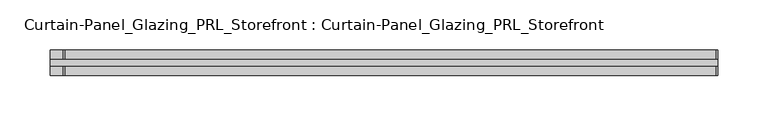
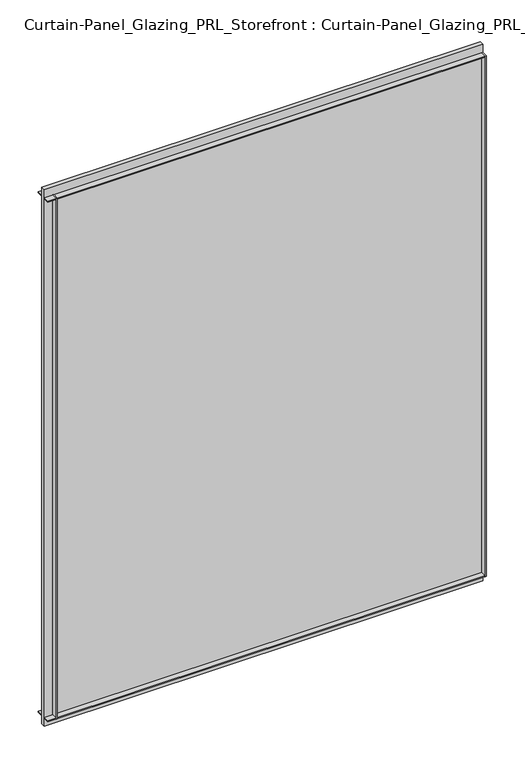
"""IFC4 building model written with IfcOpenShell, lengths in millimetres: plate geometry, Curtain-Panel_Glazing_PRL_Storefront : Curtain-Panel_Glazing_PRL_Storefront."""

from ifc_helpers import new_model, si_unit, frame, origin, origin_with_axes, place, context, project, spatial, polyline, outline, extrude, source, transform, mapped, element, save


def curtain_panel_glazing_prl_storefront_curtain_panel_glazing_6a74235d(model_context):
    return source(origin(), model_context, "Body", "SweptSolid", [
        extrude(outline(polyline([(269.875, 12.7), (269.875, 3.175), (268.2875, 3.175), (268.2875, 12.7), (269.875, 12.7)])), frame((0.0, 0.0, 12.7), z_axis=(0.0, 0.0, 1.0), x_axis=(1.0, 0.0, 0.0)), (0.0, 0.0, 1.0), 831.85),
        extrude(outline(polyline([(269.875, -12.7), (268.2875, -12.7), (268.2875, -3.175), (269.875, -3.175), (269.875, -12.7)])), frame((0.0, 0.0, 12.7), z_axis=(0.0, 0.0, 1.0), x_axis=(1.0, 0.0, 0.0)), (0.0, 0.0, 1.0), 831.85),
        extrude(outline(polyline([(-381.0, 12.7), (-379.4125, 12.7), (-379.4125, 3.175), (-381.0, 3.175), (-381.0, 12.7)])), frame((0.0, 0.0, 12.7), z_axis=(0.0, 0.0, 1.0), x_axis=(1.0, 0.0, 0.0)), (0.0, 0.0, 1.0), 831.85),
        extrude(outline(polyline([(-381.0, -12.7), (-381.0, -3.175), (-379.4125, -3.175), (-379.4125, -12.7), (-381.0, -12.7)])), frame((0.0, 0.0, 12.7), z_axis=(0.0, 0.0, 1.0), x_axis=(1.0, 0.0, 0.0)), (0.0, 0.0, 1.0), 831.85),
        extrude(outline(polyline([(269.875, -3.175), (-393.7, -3.175), (-393.7, 3.175), (269.875, 3.175), (269.875, -3.175)])), origin_with_axes(), (0.0, 0.0, 1.0), 857.25),
        extrude(outline(polyline([(-393.7, 12.7), (269.875, 12.7), (269.875, 3.175), (-393.7, 3.175), (-393.7, 12.7)])), frame((0.0, 0.0, 842.9625), z_axis=(0.0, 0.0, 1.0), x_axis=(1.0, 0.0, 0.0)), (0.0, 0.0, 1.0), 1.5875),
        extrude(outline(polyline([(-393.7, -12.7), (-393.7, -3.175), (269.875, -3.175), (269.875, -12.7), (-393.7, -12.7)])), frame((0.0, 0.0, 842.9625), z_axis=(0.0, 0.0, 1.0), x_axis=(1.0, 0.0, 0.0)), (0.0, 0.0, 1.0), 1.5875),
        extrude(outline(polyline([(-393.7, 12.7), (269.875, 12.7), (269.875, 3.175), (-393.7, 3.175), (-393.7, 12.7)])), frame((0.0, 0.0, 12.7), z_axis=(0.0, 0.0, 1.0), x_axis=(1.0, 0.0, 0.0)), (0.0, 0.0, 1.0), 1.5875),
        extrude(outline(polyline([(-393.7, -12.7), (-393.7, -3.175), (269.875, -3.175), (269.875, -12.7), (-393.7, -12.7)])), frame((0.0, 0.0, 12.7), z_axis=(0.0, 0.0, 1.0), x_axis=(1.0, 0.0, 0.0)), (0.0, 0.0, 1.0), 1.5875),
    ])


if __name__ == "__main__":
    model = new_model("IFC4")
    model_context = context("Model", 3, world=origin())
    ifc_project = project(units=[si_unit("LENGTHUNIT", "METRE", prefix="MILLI")], contexts=[model_context])
    site = spatial("IfcSite", under=ifc_project)
    building = spatial("IfcBuilding", under=site)
    placement = place(None, origin())
    curtain_panel_glazing_prl_storefront_curtain_panel_glazing_shape = curtain_panel_glazing_prl_storefront_curtain_panel_glazing_6a74235d(model_context)
    element("IfcPlate", 1, ObjectType="Curtain-Panel_Glazing_PRL_Storefront : Curtain-Panel_Glazing_PRL_Storefront", at=placement, inside=building, context=model_context, shape_type="MappedRepresentation", body=[
        mapped(curtain_panel_glazing_prl_storefront_curtain_panel_glazing_shape, transform((0.0, 0.0, 0.0), x_axis=(1.0, 0.0, 0.0), y_axis=(0.0, 1.0, 0.0), z_axis=(0.0, 0.0, 1.0))),
    ])
    save(model, "model.ifc")
